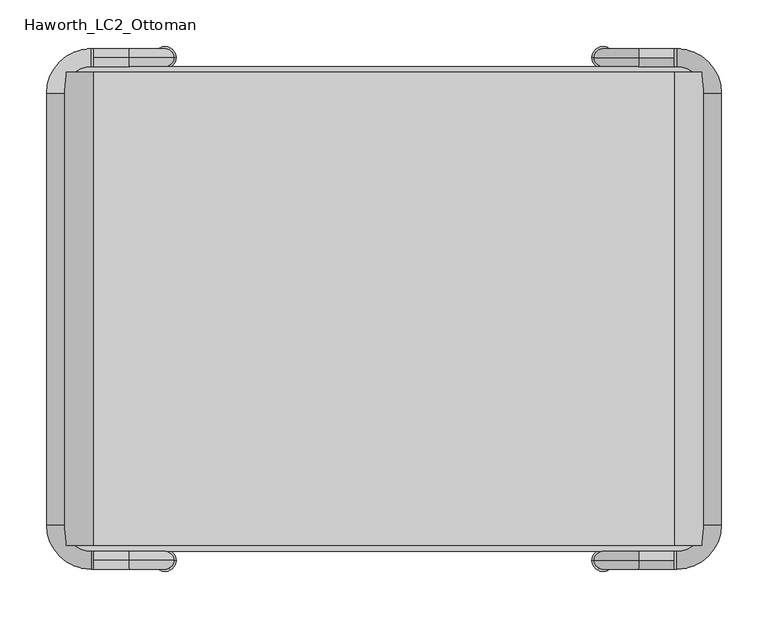
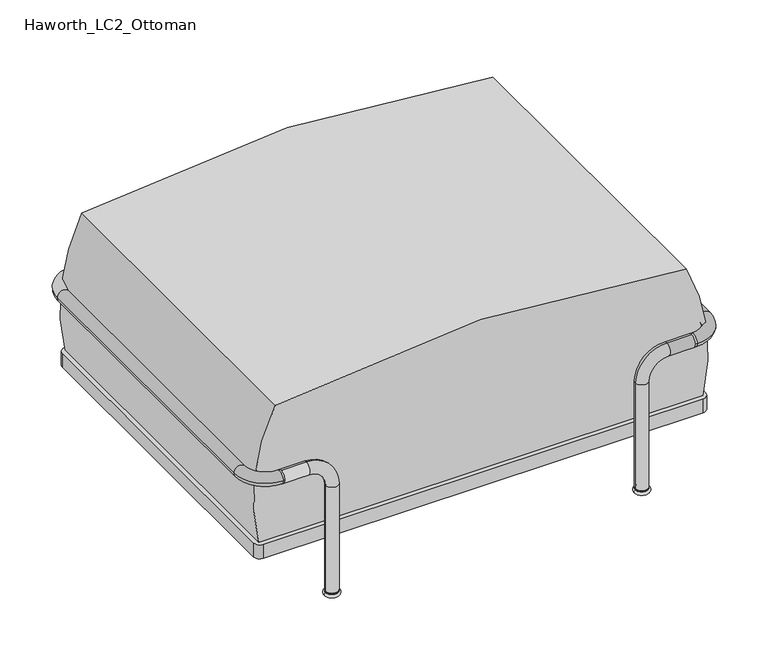
"""IFC4 building model written with IfcOpenShell, lengths in millimetres: furniture geometry, Haworth_LC2_Ottoman."""

from ifc_helpers import new_model, si_unit, point, frame, frame_2d, origin, place, context, project, spatial, polyline, circle_curve, ellipse_curve, trimmed, segment, composite_curve, outline, extrude, source, transform, mapped, element, save
from ifc_brep_helpers import plane_surface, cylinder_surface, revolved_surface, advanced_brep


def haworth_lc2_ottoman_d412f61c(model_context):
    return source(origin(), model_context, "Body", "SolidModel", [
        advanced_brep(
        [(244.475, 282.575, 4.7625), (225.425, 282.575, 4.7625), (234.95, 282.575, 4.7625), (244.475, 282.575, 9.525), (225.425, 282.575, 9.525), (234.95, 282.575, 9.525)],
        [
            (0, 1, circle_curve(frame((234.95, 282.575, 4.7625), z_axis=(0.0, 0.0, -1.0), x_axis=(-1.0, 0.0, 0.0)), 9.525)),
            (1, 2),
            (2, 0),
            (1, 0, circle_curve(frame((234.95, 282.575, 4.7625), z_axis=(0.0, 0.0, -1.0), x_axis=(-1.0, 0.0, 0.0)), 9.525)),
            (3, 4, circle_curve(frame((234.95, 282.575, 9.525), z_axis=(0.0, 0.0, -1.0), x_axis=(-1.0, 0.0, 0.0)), 9.525)),
            (4, 1, circle_curve(frame((225.425, 282.575, 7.14375), z_axis=(0.0, -1.0, 0.0), x_axis=(1.0, 0.0, 0.0)), 2.38125)),
            (0, 3, circle_curve(frame((244.475, 282.575, 7.14375), z_axis=(0.0, -1.0, 0.0), x_axis=(-1.0, 0.0, 0.0)), 2.38125)),
            (4, 3, circle_curve(frame((234.95, 282.575, 9.525), z_axis=(0.0, 0.0, -1.0), x_axis=(-1.0, 0.0, 0.0)), 9.525)),
            (5, 4),
            (3, 5),
        ],
        [
            plane_surface(frame((234.95, 282.575, 4.7625), z_axis=(0.0, 0.0, -1.0), x_axis=(-1.0, 0.0, 0.0))),
            revolved_surface(trimmed(ellipse_curve(frame((225.425, 282.575, 7.14375), z_axis=(0.0, 1.0, 0.0), x_axis=(1.0, 0.0, 0.0)), 2.38125, 2.38125), [point((225.425, 282.575, 4.7625))], [point((225.425, 282.575, 9.525))], True, "CARTESIAN"), (234.95, 282.575, -436.5320186), (0.0, 0.0, 1.0)),
            plane_surface(frame((234.95, 282.575, 9.525), z_axis=(0.0, 0.0, 1.0), x_axis=(-1.0, 0.0, 0.0))),
        ],
        [
            (0, [[1, 2, 3]]),
            (0, [[4, -3, -2]]),
            (1, [[5, 6, -1, 7]]),
            (1, [[8, -7, -4, -6]]),
            (2, [[9, -5, 10]]),
            (2, [[-10, -8, -9]]),
        ],
    ),
        advanced_brep(
        [(-225.425, 282.575, 4.7625), (-244.475, 282.575, 4.7625), (-234.95, 282.575, 4.7625), (-225.425, 282.575, 9.525), (-244.475, 282.575, 9.525), (-234.95, 282.575, 9.525)],
        [
            (0, 1, circle_curve(frame((-234.95, 282.575, 4.7625), z_axis=(0.0, 0.0, -1.0), x_axis=(-1.0, 0.0, 0.0)), 9.525)),
            (1, 2),
            (2, 0),
            (1, 0, circle_curve(frame((-234.95, 282.575, 4.7625), z_axis=(0.0, 0.0, -1.0), x_axis=(-1.0, 0.0, 0.0)), 9.525)),
            (3, 4, circle_curve(frame((-234.95, 282.575, 9.525), z_axis=(0.0, 0.0, -1.0), x_axis=(-1.0, 0.0, 0.0)), 9.525)),
            (4, 1, circle_curve(frame((-244.475, 282.575, 7.14375), z_axis=(0.0, -1.0, 0.0), x_axis=(1.0, 0.0, 0.0)), 2.38125)),
            (0, 3, circle_curve(frame((-225.425, 282.575, 7.14375), z_axis=(0.0, -1.0, 0.0), x_axis=(-1.0, 0.0, 0.0)), 2.38125)),
            (4, 3, circle_curve(frame((-234.95, 282.575, 9.525), z_axis=(0.0, 0.0, -1.0), x_axis=(-1.0, 0.0, 0.0)), 9.525)),
            (5, 4),
            (3, 5),
        ],
        [
            plane_surface(frame((-234.95, 282.575, 4.7625), z_axis=(0.0, 0.0, -1.0), x_axis=(-1.0, 0.0, 0.0))),
            revolved_surface(trimmed(ellipse_curve(frame((-244.475, 282.575, 7.14375), z_axis=(0.0, 1.0, 0.0), x_axis=(1.0, 0.0, 0.0)), 2.38125, 2.38125), [point((-244.475, 282.575, 4.7625))], [point((-244.475, 282.575, 9.525))], True, "CARTESIAN"), (-234.95, 282.575, -436.5320186), (0.0, 0.0, 1.0)),
            plane_surface(frame((-234.95, 282.575, 9.525), z_axis=(0.0, 0.0, 1.0), x_axis=(-1.0, 0.0, 0.0))),
        ],
        [
            (0, [[1, 2, 3]]),
            (0, [[4, -3, -2]]),
            (1, [[5, 6, -1, 7]]),
            (1, [[8, -7, -4, -6]]),
            (2, [[9, -5, 10]]),
            (2, [[-10, -8, -9]]),
        ],
    ),
        advanced_brep(
        [(244.475, -257.175, 9.525), (225.425, -257.175, 9.525), (234.95, -257.175, 9.525), (244.475, -257.175, 4.7625), (225.425, -257.175, 4.7625), (234.95, -257.175, 4.7625)],
        [
            (0, 1, circle_curve(frame((234.95, -257.175, 9.525), z_axis=(0.0, 0.0, 1.0), x_axis=(-1.0, 0.0, 0.0)), 9.525)),
            (1, 2),
            (2, 0),
            (1, 0, circle_curve(frame((234.95, -257.175, 9.525), z_axis=(0.0, 0.0, 1.0), x_axis=(-1.0, 0.0, 0.0)), 9.525)),
            (3, 4, circle_curve(frame((234.95, -257.175, 4.7625), z_axis=(0.0, 0.0, 1.0), x_axis=(-1.0, 0.0, 0.0)), 9.525)),
            (4, 1, circle_curve(frame((225.425, -257.175, 7.14375), z_axis=(0.0, 1.0, 0.0), x_axis=(1.0, 0.0, 0.0)), 2.38125)),
            (0, 3, circle_curve(frame((244.475, -257.175, 7.14375), z_axis=(0.0, 1.0, 0.0), x_axis=(-1.0, 0.0, 0.0)), 2.38125)),
            (4, 3, circle_curve(frame((234.95, -257.175, 4.7625), z_axis=(0.0, 0.0, 1.0), x_axis=(-1.0, 0.0, 0.0)), 9.525)),
            (5, 4),
            (3, 5),
        ],
        [
            plane_surface(frame((234.95, -257.175, 9.525), z_axis=(0.0, 0.0, 1.0), x_axis=(-1.0, 0.0, 0.0))),
            revolved_surface(trimmed(ellipse_curve(frame((225.425, -257.175, 7.14375), z_axis=(0.0, -1.0, 0.0), x_axis=(1.0, 0.0, 0.0)), 2.38125, 2.38125), [point((225.425, -257.175, 9.525))], [point((225.425, -257.175, 4.7625))], True, "CARTESIAN"), (234.95, -257.175, -436.5320186), (0.0, 0.0, -1.0)),
            plane_surface(frame((234.95, -257.175, 4.7625), z_axis=(0.0, 0.0, -1.0), x_axis=(-1.0, 0.0, 0.0))),
        ],
        [
            (0, [[1, 2, 3]]),
            (0, [[4, -3, -2]]),
            (1, [[5, 6, -1, 7]]),
            (1, [[8, -7, -4, -6]]),
            (2, [[9, -5, 10]]),
            (2, [[-10, -8, -9]]),
        ],
    ),
        advanced_brep(
        [(-225.425, -257.175, 9.525), (-244.475, -257.175, 9.525), (-234.95, -257.175, 9.525), (-225.425, -257.175, 4.7625), (-244.475, -257.175, 4.7625), (-234.95, -257.175, 4.7625)],
        [
            (0, 1, circle_curve(frame((-234.95, -257.175, 9.525), z_axis=(0.0, 0.0, 1.0), x_axis=(-1.0, 0.0, 0.0)), 9.525)),
            (1, 2),
            (2, 0),
            (1, 0, circle_curve(frame((-234.95, -257.175, 9.525), z_axis=(0.0, 0.0, 1.0), x_axis=(-1.0, 0.0, 0.0)), 9.525)),
            (3, 4, circle_curve(frame((-234.95, -257.175, 4.7625), z_axis=(0.0, 0.0, 1.0), x_axis=(-1.0, 0.0, 0.0)), 9.525)),
            (4, 1, circle_curve(frame((-244.475, -257.175, 7.14375), z_axis=(0.0, 1.0, 0.0), x_axis=(1.0, 0.0, 0.0)), 2.38125)),
            (0, 3, circle_curve(frame((-225.425, -257.175, 7.14375), z_axis=(0.0, 1.0, 0.0), x_axis=(-1.0, 0.0, 0.0)), 2.38125)),
            (4, 3, circle_curve(frame((-234.95, -257.175, 4.7625), z_axis=(0.0, 0.0, 1.0), x_axis=(-1.0, 0.0, 0.0)), 9.525)),
            (5, 4),
            (3, 5),
        ],
        [
            plane_surface(frame((-234.95, -257.175, 9.525), z_axis=(0.0, 0.0, 1.0), x_axis=(-1.0, 0.0, 0.0))),
            revolved_surface(trimmed(ellipse_curve(frame((-244.475, -257.175, 7.14375), z_axis=(0.0, -1.0, 0.0), x_axis=(1.0, 0.0, 0.0)), 2.38125, 2.38125), [point((-244.475, -257.175, 9.525))], [point((-244.475, -257.175, 4.7625))], True, "CARTESIAN"), (-234.95, -257.175, -436.5320186), (0.0, 0.0, -1.0)),
            plane_surface(frame((-234.95, -257.175, 4.7625), z_axis=(0.0, 0.0, -1.0), x_axis=(-1.0, 0.0, 0.0))),
        ],
        [
            (0, [[1, 2, 3]]),
            (0, [[4, -3, -2]]),
            (1, [[5, 6, -1, 7]]),
            (1, [[8, -7, -4, -6]]),
            (2, [[9, -5, 10]]),
            (2, [[-10, -8, -9]]),
        ],
    ),
        extrude(outline(composite_curve([segment(trimmed(circle_curve(frame_2d((-234.95, -257.175)), 9.525), [point((-244.475, -257.175))], [point((-225.425, -257.175))], False, "CARTESIAN"), True, "CONTINUOUS"), segment(trimmed(circle_curve(frame_2d((-234.95, -257.175)), 9.525), [point((-225.425, -257.175))], [point((-244.475, -257.175))], False, "CARTESIAN"), True, "CONTINUOUS")], self_intersect=False)), frame((0.0, 0.0, 9.525), z_axis=(0.0, 0.0, 1.0), x_axis=(1.0, 0.0, 0.0)), (0.0, 0.0, 1.0), 1.5875),
        extrude(outline(composite_curve([segment(trimmed(circle_curve(frame_2d((234.95, -257.175)), 9.525), [point((225.425, -257.175))], [point((244.475, -257.175))], False, "CARTESIAN"), True, "CONTINUOUS"), segment(trimmed(circle_curve(frame_2d((234.95, -257.175)), 9.525), [point((244.475, -257.175))], [point((225.425, -257.175))], False, "CARTESIAN"), True, "CONTINUOUS")], self_intersect=False)), frame((0.0, 0.0, 9.525), z_axis=(0.0, 0.0, 1.0), x_axis=(1.0, 0.0, 0.0)), (0.0, 0.0, 1.0), 1.5875),
        extrude(outline(composite_curve([segment(trimmed(circle_curve(frame_2d((234.95, 282.575)), 9.525), [point((225.425, 282.575))], [point((244.475, 282.575))], False, "CARTESIAN"), True, "CONTINUOUS"), segment(trimmed(circle_curve(frame_2d((234.95, 282.575)), 9.525), [point((244.475, 282.575))], [point((225.425, 282.575))], False, "CARTESIAN"), True, "CONTINUOUS")], self_intersect=False)), frame((0.0, 0.0, 9.525), z_axis=(0.0, 0.0, 1.0), x_axis=(1.0, 0.0, 0.0)), (0.0, 0.0, 1.0), 1.5875),
        extrude(outline(composite_curve([segment(trimmed(circle_curve(frame_2d((-234.95, 282.575)), 9.525), [point((-244.475, 282.575))], [point((-225.425, 282.575))], False, "CARTESIAN"), True, "CONTINUOUS"), segment(trimmed(circle_curve(frame_2d((-234.95, 282.575)), 9.525), [point((-225.425, 282.575))], [point((-244.475, 282.575))], False, "CARTESIAN"), True, "CONTINUOUS")], self_intersect=False)), frame((0.0, 0.0, 9.525), z_axis=(0.0, 0.0, 1.0), x_axis=(1.0, 0.0, 0.0)), (0.0, 0.0, 1.0), 1.5875),
        advanced_brep(
        [(-225.425, -257.175, 11.1125), (-244.475, -257.175, 11.1125), (-225.425, -257.175, 180.975), (-244.475, -257.175, 180.975), (-273.05, -257.175, 228.6), (-273.05, -257.175, 209.55), (-311.15, -257.175, 228.6), (-311.15, -266.7, 219.075), (-311.15, -257.175, 209.55), (-311.15, -247.65, 219.075), (-244.475, 282.575, 11.1125), (-225.425, 282.575, 11.1125), (-225.425, 282.575, 180.975), (-244.475, 282.575, 180.975), (-273.05, 282.575, 228.6), (-273.05, 282.575, 209.55), (-311.15, 282.575, 228.6), (-311.15, 273.05, 219.075), (-311.15, 282.575, 209.55), (-311.15, 292.1, 219.075), (-314.325, 273.05, 219.075), (-314.325, 292.1, 219.075), (-342.9, 244.475, 219.075), (-361.95, 244.475, 219.075), (-342.9, -219.075, 219.075), (-361.95, -219.075, 219.075), (-314.325, -247.65, 219.075), (-314.325, -266.7, 219.075)],
        [
            (0, 1, circle_curve(frame((-234.95, -257.175, 11.1125), z_axis=(0.0, 0.0, -1.0), x_axis=(-1.0, 0.0, 0.0)), 9.525)),
            (1, 0, circle_curve(frame((-234.95, -257.175, 11.1125), z_axis=(0.0, 0.0, -1.0), x_axis=(-1.0, 0.0, 0.0)), 9.525)),
            (0, 2),
            (2, 3, circle_curve(frame((-234.95, -257.175, 180.975), z_axis=(0.0, 0.0, -1.0), x_axis=(-1.0, 0.0, 0.0)), 9.525)),
            (3, 1),
            (3, 2, circle_curve(frame((-234.95, -257.175, 180.975), z_axis=(0.0, 0.0, -1.0), x_axis=(-1.0, 0.0, 0.0)), 9.525)),
            (2, 4, circle_curve(frame((-273.05, -257.175, 180.975), z_axis=(0.0, -1.0, 0.0), x_axis=(1.0, 0.0, 0.0)), 47.625)),
            (4, 5, circle_curve(frame((-273.05, -257.175, 219.075), z_axis=(1.0, 0.0, 0.0), x_axis=(0.0, 0.0, -1.0)), 9.525)),
            (5, 3, circle_curve(frame((-273.05, -257.175, 180.975), z_axis=(0.0, 1.0, 0.0), x_axis=(1.0, 0.0, 0.0)), 28.575)),
            (5, 4, circle_curve(frame((-273.05, -257.175, 219.075), z_axis=(1.0, 0.0, 0.0), x_axis=(0.0, 0.0, -1.0)), 9.525)),
            (4, 6),
            (6, 7, circle_curve(frame((-311.15, -257.175, 219.075), z_axis=(1.0, 0.0, 0.0), x_axis=(0.0, 0.0, -1.0)), 9.525)),
            (7, 8, circle_curve(frame((-311.15, -257.175, 219.075), z_axis=(1.0, 0.0, 0.0), x_axis=(0.0, 0.0, -1.0)), 9.525)),
            (8, 5),
            (8, 9, circle_curve(frame((-311.15, -257.175, 219.075), z_axis=(1.0, 0.0, 0.0), x_axis=(0.0, 0.0, -1.0)), 9.525)),
            (9, 6, circle_curve(frame((-311.15, -257.175, 219.075), z_axis=(1.0, 0.0, 0.0), x_axis=(0.0, 0.0, -1.0)), 9.525)),
            (10, 11, circle_curve(frame((-234.95, 282.575, 11.1125), z_axis=(0.0, 0.0, -1.0), x_axis=(1.0, 0.0, 0.0)), 9.525)),
            (11, 10, circle_curve(frame((-234.95, 282.575, 11.1125), z_axis=(0.0, 0.0, -1.0), x_axis=(1.0, 0.0, 0.0)), 9.525)),
            (11, 12),
            (12, 13, circle_curve(frame((-234.95, 282.575, 180.975), z_axis=(0.0, 0.0, -1.0), x_axis=(1.0, 0.0, 0.0)), 9.525)),
            (13, 10),
            (13, 12, circle_curve(frame((-234.95, 282.575, 180.975), z_axis=(0.0, 0.0, -1.0), x_axis=(1.0, 0.0, 0.0)), 9.525)),
            (12, 14, circle_curve(frame((-273.05, 282.575, 180.975), z_axis=(0.0, -1.0, 0.0), x_axis=(1.0, 0.0, 0.0)), 47.625)),
            (14, 15, circle_curve(frame((-273.05, 282.575, 219.075), z_axis=(1.0, 0.0, 0.0), x_axis=(0.0, 0.0, 1.0)), 9.525)),
            (15, 13, circle_curve(frame((-273.05, 282.575, 180.975), z_axis=(0.0, 1.0, 0.0), x_axis=(1.0, 0.0, 0.0)), 28.575)),
            (15, 14, circle_curve(frame((-273.05, 282.575, 219.075), z_axis=(1.0, 0.0, 0.0), x_axis=(0.0, 0.0, 1.0)), 9.525)),
            (14, 16),
            (16, 17, circle_curve(frame((-311.15, 282.575, 219.075), z_axis=(1.0, 0.0, 0.0), x_axis=(0.0, 0.0, 1.0)), 9.525)),
            (17, 18, circle_curve(frame((-311.15, 282.575, 219.075), z_axis=(1.0, 0.0, 0.0), x_axis=(0.0, 0.0, 1.0)), 9.525)),
            (18, 15),
            (18, 19, circle_curve(frame((-311.15, 282.575, 219.075), z_axis=(1.0, 0.0, 0.0), x_axis=(0.0, 0.0, 1.0)), 9.525)),
            (19, 16, circle_curve(frame((-311.15, 282.575, 219.075), z_axis=(1.0, 0.0, 0.0), x_axis=(0.0, 0.0, 1.0)), 9.525)),
            (17, 20),
            (20, 21, circle_curve(frame((-314.325, 282.575, 219.075), z_axis=(1.0, 0.0, 0.0), x_axis=(0.0, -1.0, 0.0)), 9.525)),
            (21, 19),
            (21, 20, circle_curve(frame((-314.325, 282.575, 219.075), z_axis=(1.0, 0.0, 0.0), x_axis=(0.0, -1.0, 0.0)), 9.525)),
            (20, 22, circle_curve(frame((-314.325, 244.475, 219.075), z_axis=(0.0, 0.0, 1.0), x_axis=(0.0, 1.0, 0.0)), 28.575)),
            (22, 23, circle_curve(frame((-352.425, 244.475, 219.075), z_axis=(0.0, 1.0, 0.0), x_axis=(1.0, 0.0, 0.0)), 9.525)),
            (23, 21, circle_curve(frame((-314.325, 244.475, 219.075), z_axis=(0.0, 0.0, -1.0), x_axis=(0.0, 1.0, 0.0)), 47.625)),
            (23, 22, circle_curve(frame((-352.425, 244.475, 219.075), z_axis=(0.0, 1.0, 0.0), x_axis=(1.0, 0.0, 0.0)), 9.525)),
            (22, 24),
            (24, 25, circle_curve(frame((-352.425, -219.075, 219.075), z_axis=(0.0, 1.0, 0.0), x_axis=(1.0, 0.0, 0.0)), 9.525)),
            (25, 23),
            (25, 24, circle_curve(frame((-352.425, -219.075, 219.075), z_axis=(0.0, 1.0, 0.0), x_axis=(1.0, 0.0, 0.0)), 9.525)),
            (24, 26, circle_curve(frame((-314.325, -219.075, 219.075), z_axis=(0.0, 0.0, 1.0), x_axis=(-1.0, 0.0, 0.0)), 28.575)),
            (26, 27, circle_curve(frame((-314.325, -257.175, 219.075), z_axis=(-1.0, 0.0, 0.0), x_axis=(0.0, 1.0, 0.0)), 9.525)),
            (27, 25, circle_curve(frame((-314.325, -219.075, 219.075), z_axis=(0.0, 0.0, -1.0), x_axis=(-1.0, 0.0, 0.0)), 47.625)),
            (27, 26, circle_curve(frame((-314.325, -257.175, 219.075), z_axis=(-1.0, 0.0, 0.0), x_axis=(0.0, 1.0, 0.0)), 9.525)),
            (26, 9),
            (7, 27),
        ],
        [
            plane_surface(frame((-234.95, -257.175, 11.1125), z_axis=(0.0, 0.0, -1.0), x_axis=(0.0, -1.0, 0.0))),
            cylinder_surface(frame((-234.95, -257.175, 11.1125), z_axis=(0.0, 0.0, -1.0), x_axis=(-1.0, 0.0, 0.0)), 9.525),
            revolved_surface(trimmed(ellipse_curve(frame((-234.95, -257.175, 180.975), z_axis=(0.0, 0.0, -1.0), x_axis=(-1.0, 0.0, 0.0)), 9.525, 9.525), [point((-225.425, -257.175, 180.975))], [point((-244.475, -257.175, 180.975))], True, "CARTESIAN"), (-273.05, -257.175, 180.975), (0.0, -1.0, 0.0)),
            revolved_surface(trimmed(ellipse_curve(frame((-234.95, -257.175, 180.975), z_axis=(0.0, 0.0, -1.0), x_axis=(-1.0, 0.0, 0.0)), 9.525, 9.525), [point((-244.475, -257.175, 180.975))], [point((-225.425, -257.175, 180.975))], True, "CARTESIAN"), (-273.05, -257.175, 180.975), (0.0, -1.0, 0.0)),
            cylinder_surface(frame((-273.05, -257.175, 219.075), z_axis=(1.0, 0.0, 0.0), x_axis=(0.0, 0.0, -1.0)), 9.525),
            plane_surface(frame((-234.95, 282.575, 11.1125), z_axis=(0.0, 0.0, -1.0), x_axis=(0.0, 1.0, 0.0))),
            cylinder_surface(frame((-234.95, 282.575, 11.1125), z_axis=(0.0, 0.0, -1.0), x_axis=(1.0, 0.0, 0.0)), 9.525),
            revolved_surface(trimmed(ellipse_curve(frame((-234.95, 282.575, 180.975), z_axis=(0.0, 0.0, -1.0), x_axis=(1.0, 0.0, 0.0)), 9.525, 9.525), [point((-225.425, 282.575, 180.975))], [point((-244.475, 282.575, 180.975))], True, "CARTESIAN"), (-273.05, 282.575, 180.975), (0.0, -1.0, 0.0)),
            revolved_surface(trimmed(ellipse_curve(frame((-234.95, 282.575, 180.975), z_axis=(0.0, 0.0, -1.0), x_axis=(1.0, 0.0, 0.0)), 9.525, 9.525), [point((-244.475, 282.575, 180.975))], [point((-225.425, 282.575, 180.975))], True, "CARTESIAN"), (-273.05, 282.575, 180.975), (0.0, -1.0, 0.0)),
            cylinder_surface(frame((-273.05, 282.575, 219.075), z_axis=(1.0, 0.0, 0.0), x_axis=(0.0, 0.0, 1.0)), 9.525),
            cylinder_surface(frame((-311.15, 282.575, 219.075), z_axis=(1.0, 0.0, 0.0), x_axis=(0.0, -1.0, 0.0)), 9.525),
            revolved_surface(trimmed(ellipse_curve(frame((-314.325, 282.575, 219.075), z_axis=(1.0, 0.0, 0.0), x_axis=(0.0, -1.0, 0.0)), 9.525, 9.525), [point((-314.325, 273.05, 219.075))], [point((-314.325, 292.1, 219.075))], True, "CARTESIAN"), (-314.325, 244.475, -114.3), (0.0, 0.0, 1.0)),
            revolved_surface(trimmed(ellipse_curve(frame((-314.325, 282.575, 219.075), z_axis=(1.0, 0.0, 0.0), x_axis=(0.0, -1.0, 0.0)), 9.525, 9.525), [point((-314.325, 292.1, 219.075))], [point((-314.325, 273.05, 219.075))], True, "CARTESIAN"), (-314.325, 244.475, -114.3), (0.0, 0.0, 1.0)),
            cylinder_surface(frame((-352.425, 244.475, 219.075), z_axis=(0.0, 1.0, 0.0), x_axis=(1.0, 0.0, 0.0)), 9.525),
            revolved_surface(trimmed(ellipse_curve(frame((-352.425, -219.075, 219.075), z_axis=(0.0, 1.0, 0.0), x_axis=(1.0, 0.0, 0.0)), 9.525, 9.525), [point((-342.9, -219.075, 219.075))], [point((-361.95, -219.075, 219.075))], True, "CARTESIAN"), (-314.325, -219.075, -114.3), (0.0, 0.0, 1.0)),
            revolved_surface(trimmed(ellipse_curve(frame((-352.425, -219.075, 219.075), z_axis=(0.0, 1.0, 0.0), x_axis=(1.0, 0.0, 0.0)), 9.525, 9.525), [point((-361.95, -219.075, 219.075))], [point((-342.9, -219.075, 219.075))], True, "CARTESIAN"), (-314.325, -219.075, -114.3), (0.0, 0.0, 1.0)),
            cylinder_surface(frame((-314.325, -257.175, 219.075), z_axis=(-1.0, 0.0, 0.0), x_axis=(0.0, 1.0, 0.0)), 9.525),
        ],
        [
            (0, [[1, 2]]),
            (1, [[-1, 3, 4, 5]]),
            (1, [[-2, -5, 6, -3]]),
            (2, [[-4, 7, 8, 9]]),
            (3, [[-6, -9, 10, -7]]),
            (4, [[-8, 11, 12, 13, 14]]),
            (4, [[-10, -14, 15, 16, -11]]),
            (5, [[17, 18]]),
            (6, [[-18, 19, 20, 21]]),
            (6, [[-17, -21, 22, -19]]),
            (7, [[-20, 23, 24, 25]]),
            (8, [[-22, -25, 26, -23]]),
            (9, [[-24, 27, 28, 29, 30]]),
            (9, [[-26, -30, 31, 32, -27]]),
            (10, [[33, 34, 35, -31, -29]]),
            (10, [[-33, -28, -32, -35, 36]]),
            (11, [[-34, 37, 38, 39]]),
            (12, [[-36, -39, 40, -37]]),
            (13, [[-38, 41, 42, 43]]),
            (13, [[-40, -43, 44, -41]]),
            (14, [[-42, 45, 46, 47]]),
            (15, [[-44, -47, 48, -45]]),
            (16, [[-46, 49, -15, -13, 50]]),
            (16, [[-48, -50, -12, -16, -49]]),
        ],
    ),
        advanced_brep(
        [(311.15, 273.05, 219.075), (314.325, 273.05, 219.075), (314.325, 292.1, 219.075), (311.15, 292.1, 219.075), (311.15, 282.575, 228.6), (311.15, 282.575, 209.55), (342.9, 244.475, 219.075), (361.95, 244.475, 219.075), (342.9, -219.075, 219.075), (361.95, -219.075, 219.075), (314.325, -247.65, 219.075), (314.325, -266.7, 219.075), (311.15, -247.65, 219.075), (311.15, -257.175, 228.6), (311.15, -266.7, 219.075), (311.15, -257.175, 209.55), (244.475, -257.175, 11.1125), (225.425, -257.175, 11.1125), (225.425, -257.175, 180.975), (244.475, -257.175, 180.975), (273.05, -257.175, 228.6), (273.05, -257.175, 209.55), (225.425, 282.575, 11.1125), (244.475, 282.575, 11.1125), (225.425, 282.575, 180.975), (244.475, 282.575, 180.975), (273.05, 282.575, 228.6), (273.05, 282.575, 209.55)],
        [
            (0, 1),
            (1, 2, circle_curve(frame((314.325, 282.575, 219.075), z_axis=(-1.0, 0.0, 0.0), x_axis=(0.0, 1.0, 0.0)), 9.525)),
            (2, 3),
            (3, 4, circle_curve(frame((311.15, 282.575, 219.075), z_axis=(1.0, 0.0, 0.0), x_axis=(0.0, 1.0, 0.0)), 9.525)),
            (4, 0, circle_curve(frame((311.15, 282.575, 219.075), z_axis=(1.0, 0.0, 0.0), x_axis=(0.0, 1.0, 0.0)), 9.525)),
            (0, 5, circle_curve(frame((311.15, 282.575, 219.075), z_axis=(1.0, 0.0, 0.0), x_axis=(0.0, 1.0, 0.0)), 9.525)),
            (5, 3, circle_curve(frame((311.15, 282.575, 219.075), z_axis=(1.0, 0.0, 0.0), x_axis=(0.0, 1.0, 0.0)), 9.525)),
            (2, 1, circle_curve(frame((314.325, 282.575, 219.075), z_axis=(-1.0, 0.0, 0.0), x_axis=(0.0, 1.0, 0.0)), 9.525)),
            (1, 6, circle_curve(frame((314.325, 244.475, 219.075), z_axis=(0.0, 0.0, -1.0), x_axis=(0.0, 1.0, 0.0)), 28.575)),
            (6, 7, circle_curve(frame((352.425, 244.475, 219.075), z_axis=(0.0, 1.0, 0.0), x_axis=(1.0, 0.0, 0.0)), 9.525)),
            (7, 2, circle_curve(frame((314.325, 244.475, 219.075), z_axis=(0.0, 0.0, 1.0), x_axis=(0.0, 1.0, 0.0)), 47.625)),
            (7, 6, circle_curve(frame((352.425, 244.475, 219.075), z_axis=(0.0, 1.0, 0.0), x_axis=(1.0, 0.0, 0.0)), 9.525)),
            (6, 8),
            (8, 9, circle_curve(frame((352.425, -219.075, 219.075), z_axis=(0.0, 1.0, 0.0), x_axis=(1.0, 0.0, 0.0)), 9.525)),
            (9, 7),
            (9, 8, circle_curve(frame((352.425, -219.075, 219.075), z_axis=(0.0, 1.0, 0.0), x_axis=(1.0, 0.0, 0.0)), 9.525)),
            (8, 10, circle_curve(frame((314.325, -219.075, 219.075), z_axis=(0.0, 0.0, -1.0), x_axis=(1.0, 0.0, 0.0)), 28.575)),
            (10, 11, circle_curve(frame((314.325, -257.175, 219.075), z_axis=(1.0, 0.0, 0.0), x_axis=(0.0, -1.0, 0.0)), 9.525)),
            (11, 9, circle_curve(frame((314.325, -219.075, 219.075), z_axis=(0.0, 0.0, 1.0), x_axis=(1.0, 0.0, 0.0)), 47.625)),
            (11, 10, circle_curve(frame((314.325, -257.175, 219.075), z_axis=(1.0, 0.0, 0.0), x_axis=(0.0, -1.0, 0.0)), 9.525)),
            (10, 12),
            (12, 13, circle_curve(frame((311.15, -257.175, 219.075), z_axis=(1.0, 0.0, 0.0), x_axis=(0.0, -1.0, 0.0)), 9.525)),
            (13, 14, circle_curve(frame((311.15, -257.175, 219.075), z_axis=(1.0, 0.0, 0.0), x_axis=(0.0, -1.0, 0.0)), 9.525)),
            (14, 11),
            (14, 15, circle_curve(frame((311.15, -257.175, 219.075), z_axis=(1.0, 0.0, 0.0), x_axis=(0.0, -1.0, 0.0)), 9.525)),
            (15, 12, circle_curve(frame((311.15, -257.175, 219.075), z_axis=(1.0, 0.0, 0.0), x_axis=(0.0, -1.0, 0.0)), 9.525)),
            (16, 17, circle_curve(frame((234.95, -257.175, 11.1125), z_axis=(0.0, 0.0, -1.0), x_axis=(-1.0, 0.0, 0.0)), 9.525)),
            (17, 16, circle_curve(frame((234.95, -257.175, 11.1125), z_axis=(0.0, 0.0, -1.0), x_axis=(-1.0, 0.0, 0.0)), 9.525)),
            (17, 18),
            (18, 19, circle_curve(frame((234.95, -257.175, 180.975), z_axis=(0.0, 0.0, -1.0), x_axis=(-1.0, 0.0, 0.0)), 9.525)),
            (19, 16),
            (19, 18, circle_curve(frame((234.95, -257.175, 180.975), z_axis=(0.0, 0.0, -1.0), x_axis=(-1.0, 0.0, 0.0)), 9.525)),
            (18, 20, circle_curve(frame((273.05, -257.175, 180.975), z_axis=(0.0, 1.0, 0.0), x_axis=(-1.0, 0.0, 0.0)), 47.625)),
            (20, 21, circle_curve(frame((273.05, -257.175, 219.075), z_axis=(-1.0, 0.0, 0.0), x_axis=(0.0, 0.0, 1.0)), 9.525)),
            (21, 19, circle_curve(frame((273.05, -257.175, 180.975), z_axis=(0.0, -1.0, 0.0), x_axis=(-1.0, 0.0, 0.0)), 28.575)),
            (21, 20, circle_curve(frame((273.05, -257.175, 219.075), z_axis=(-1.0, 0.0, 0.0), x_axis=(0.0, 0.0, 1.0)), 9.525)),
            (20, 13),
            (15, 21),
            (22, 23, circle_curve(frame((234.95, 282.575, 11.1125), z_axis=(0.0, 0.0, -1.0), x_axis=(1.0, 0.0, 0.0)), 9.525)),
            (23, 22, circle_curve(frame((234.95, 282.575, 11.1125), z_axis=(0.0, 0.0, -1.0), x_axis=(1.0, 0.0, 0.0)), 9.525)),
            (22, 24),
            (24, 25, circle_curve(frame((234.95, 282.575, 180.975), z_axis=(0.0, 0.0, -1.0), x_axis=(1.0, 0.0, 0.0)), 9.525)),
            (25, 23),
            (25, 24, circle_curve(frame((234.95, 282.575, 180.975), z_axis=(0.0, 0.0, -1.0), x_axis=(1.0, 0.0, 0.0)), 9.525)),
            (24, 26, circle_curve(frame((273.05, 282.575, 180.975), z_axis=(0.0, 1.0, 0.0), x_axis=(-1.0, 0.0, 0.0)), 47.625)),
            (26, 27, circle_curve(frame((273.05, 282.575, 219.075), z_axis=(-1.0, 0.0, 0.0), x_axis=(0.0, 0.0, -1.0)), 9.525)),
            (27, 25, circle_curve(frame((273.05, 282.575, 180.975), z_axis=(0.0, -1.0, 0.0), x_axis=(-1.0, 0.0, 0.0)), 28.575)),
            (27, 26, circle_curve(frame((273.05, 282.575, 219.075), z_axis=(-1.0, 0.0, 0.0), x_axis=(0.0, 0.0, -1.0)), 9.525)),
            (26, 4),
            (5, 27),
        ],
        [
            cylinder_surface(frame((311.15, 282.575, 219.075), z_axis=(-1.0, 0.0, 0.0), x_axis=(0.0, 1.0, 0.0)), 9.525),
            revolved_surface(trimmed(ellipse_curve(frame((314.325, 282.575, 219.075), z_axis=(-1.0, 0.0, 0.0), x_axis=(0.0, 1.0, 0.0)), 9.525, 9.525), [point((314.325, 273.05, 219.075))], [point((314.325, 292.1, 219.075))], True, "CARTESIAN"), (314.325, 244.475, -114.3), (0.0, 0.0, -1.0)),
            revolved_surface(trimmed(ellipse_curve(frame((314.325, 282.575, 219.075), z_axis=(-1.0, 0.0, 0.0), x_axis=(0.0, 1.0, 0.0)), 9.525, 9.525), [point((314.325, 292.1, 219.075))], [point((314.325, 273.05, 219.075))], True, "CARTESIAN"), (314.325, 244.475, -114.3), (0.0, 0.0, -1.0)),
            cylinder_surface(frame((352.425, 244.475, 219.075), z_axis=(0.0, 1.0, 0.0), x_axis=(1.0, 0.0, 0.0)), 9.525),
            revolved_surface(trimmed(ellipse_curve(frame((352.425, -219.075, 219.075), z_axis=(0.0, 1.0, 0.0), x_axis=(1.0, 0.0, 0.0)), 9.525, 9.525), [point((342.9, -219.075, 219.075))], [point((361.95, -219.075, 219.075))], True, "CARTESIAN"), (314.325, -219.075, -114.3), (0.0, 0.0, -1.0)),
            revolved_surface(trimmed(ellipse_curve(frame((352.425, -219.075, 219.075), z_axis=(0.0, 1.0, 0.0), x_axis=(1.0, 0.0, 0.0)), 9.525, 9.525), [point((361.95, -219.075, 219.075))], [point((342.9, -219.075, 219.075))], True, "CARTESIAN"), (314.325, -219.075, -114.3), (0.0, 0.0, -1.0)),
            cylinder_surface(frame((314.325, -257.175, 219.075), z_axis=(1.0, 0.0, 0.0), x_axis=(0.0, -1.0, 0.0)), 9.525),
            plane_surface(frame((234.95, -257.175, 11.1125), z_axis=(0.0, 0.0, -1.0), x_axis=(0.0, -1.0, 0.0))),
            cylinder_surface(frame((234.95, -257.175, 11.1125), z_axis=(0.0, 0.0, -1.0), x_axis=(-1.0, 0.0, 0.0)), 9.525),
            revolved_surface(trimmed(ellipse_curve(frame((234.95, -257.175, 180.975), z_axis=(0.0, 0.0, -1.0), x_axis=(-1.0, 0.0, 0.0)), 9.525, 9.525), [point((225.425, -257.175, 180.975))], [point((244.475, -257.175, 180.975))], True, "CARTESIAN"), (273.05, -257.175, 180.975), (0.0, 1.0, 0.0)),
            revolved_surface(trimmed(ellipse_curve(frame((234.95, -257.175, 180.975), z_axis=(0.0, 0.0, -1.0), x_axis=(-1.0, 0.0, 0.0)), 9.525, 9.525), [point((244.475, -257.175, 180.975))], [point((225.425, -257.175, 180.975))], True, "CARTESIAN"), (273.05, -257.175, 180.975), (0.0, 1.0, 0.0)),
            cylinder_surface(frame((273.05, -257.175, 219.075), z_axis=(-1.0, 0.0, 0.0), x_axis=(0.0, 0.0, 1.0)), 9.525),
            plane_surface(frame((234.95, 282.575, 11.1125), z_axis=(0.0, 0.0, -1.0), x_axis=(0.0, 1.0, 0.0))),
            cylinder_surface(frame((234.95, 282.575, 11.1125), z_axis=(0.0, 0.0, -1.0), x_axis=(1.0, 0.0, 0.0)), 9.525),
            revolved_surface(trimmed(ellipse_curve(frame((234.95, 282.575, 180.975), z_axis=(0.0, 0.0, -1.0), x_axis=(1.0, 0.0, 0.0)), 9.525, 9.525), [point((225.425, 282.575, 180.975))], [point((244.475, 282.575, 180.975))], True, "CARTESIAN"), (273.05, 282.575, 180.975), (0.0, 1.0, 0.0)),
            revolved_surface(trimmed(ellipse_curve(frame((234.95, 282.575, 180.975), z_axis=(0.0, 0.0, -1.0), x_axis=(1.0, 0.0, 0.0)), 9.525, 9.525), [point((244.475, 282.575, 180.975))], [point((225.425, 282.575, 180.975))], True, "CARTESIAN"), (273.05, 282.575, 180.975), (0.0, 1.0, 0.0)),
            cylinder_surface(frame((273.05, 282.575, 219.075), z_axis=(-1.0, 0.0, 0.0), x_axis=(0.0, 0.0, -1.0)), 9.525),
        ],
        [
            (0, [[1, 2, 3, 4, 5]]),
            (0, [[-1, 6, 7, -3, 8]]),
            (1, [[-2, 9, 10, 11]]),
            (2, [[-8, -11, 12, -9]]),
            (3, [[-10, 13, 14, 15]]),
            (3, [[-12, -15, 16, -13]]),
            (4, [[-14, 17, 18, 19]]),
            (5, [[-16, -19, 20, -17]]),
            (6, [[-18, 21, 22, 23, 24]]),
            (6, [[-20, -24, 25, 26, -21]]),
            (7, [[27, 28]]),
            (8, [[-28, 29, 30, 31]]),
            (8, [[-27, -31, 32, -29]]),
            (9, [[-30, 33, 34, 35]]),
            (10, [[-32, -35, 36, -33]]),
            (11, [[-34, 37, -22, -26, 38]]),
            (11, [[-36, -38, -25, -23, -37]]),
            (12, [[39, 40]]),
            (13, [[-39, 41, 42, 43]]),
            (13, [[-40, -43, 44, -41]]),
            (14, [[-42, 45, 46, 47]]),
            (15, [[-44, -47, 48, -45]]),
            (16, [[-46, 49, -4, -7, 50]]),
            (16, [[-48, -50, -6, -5, -49]]),
        ],
    ),
        extrude(outline(composite_curve([segment(trimmed(circle_curve(frame_2d((333.375, 263.525)), 9.525), [point((333.375, 273.05))], [point((342.9, 263.525))], False, "CARTESIAN"), True, "CONTINUOUS"), segment(polyline([(342.9, 263.525), (342.9, -238.125)]), True, "CONTINUOUS"), segment(trimmed(circle_curve(frame_2d((333.375, -238.125)), 9.525), [point((342.9, -238.125))], [point((333.375, -247.65))], False, "CARTESIAN"), True, "CONTINUOUS"), segment(polyline([(333.375, -247.65), (-333.375, -247.65)]), True, "CONTINUOUS"), segment(trimmed(circle_curve(frame_2d((-333.375, -238.125)), 9.525), [point((-333.375, -247.65))], [point((-342.9, -238.125))], False, "CARTESIAN"), True, "CONTINUOUS"), segment(polyline([(-342.9, -238.125), (-342.9, 263.525)]), True, "CONTINUOUS"), segment(trimmed(circle_curve(frame_2d((-333.375, 263.525)), 9.525), [point((-342.9, 263.525))], [point((-333.375, 273.05))], False, "CARTESIAN"), True, "CONTINUOUS"), segment(polyline([(-333.375, 273.05), (333.375, 273.05)]), True, "CONTINUOUS")], self_intersect=False)), frame((0.0, 0.0, 89.7750405), z_axis=(0.0, 0.0, 1.0), x_axis=(1.0, 0.0, 0.0)), (0.0, 0.0, 1.0), 22.225),
        extrude(outline(composite_curve([segment(polyline([(112.0000405, -336.55), (112.0000405, 336.55)]), True, "CONTINUOUS"), segment(trimmed(circle_curve(frame_2d((183.6286059, 34.6695248)), 310.2619421), [point((112.0000405, 336.55))], [point((323.6670619, 311.5299654))], False, "CARTESIAN"), True, "CONTINUOUS"), segment(trimmed(circle_curve(frame_2d((-1363.307663, 0.0)), 1715.4983654), [point((323.6670619, 311.5299654))], [point((323.6670619, -311.5299654))], False, "CARTESIAN"), True, "CONTINUOUS"), segment(trimmed(circle_curve(frame_2d((183.6286059, -34.6695248)), 310.2619421), [point((323.6670619, -311.5299654))], [point((112.0000405, -336.55))], False, "CARTESIAN"), True, "CONTINUOUS")], self_intersect=False)), frame((0.0, -241.3, 0.0), z_axis=(0.0, 1.0, 0.0), x_axis=(0.0, 0.0, 1.0)), (0.0, 0.0, 1.0), 508.0),
    ])


if __name__ == "__main__":
    model = new_model("IFC4")
    model_context = context("Model", 3, world=origin())
    ifc_project = project(units=[si_unit("LENGTHUNIT", "METRE", prefix="MILLI")], contexts=[model_context])
    site = spatial("IfcSite", under=ifc_project)
    building = spatial("IfcBuilding", under=site)
    placement = place(None, origin())
    haworth_lc2_ottoman_shape = haworth_lc2_ottoman_d412f61c(model_context)
    element("IfcFurniture", 1, ObjectType="Haworth_LC2_Ottoman", at=placement, inside=building, context=model_context, shape_type="MappedRepresentation", body=[
        mapped(haworth_lc2_ottoman_shape, transform((0.0, 0.0, 0.0), x_axis=(1.0, 0.0, 0.0), y_axis=(0.0, 1.0, 0.0), z_axis=(0.0, 0.0, 1.0))),
    ])
    save(model, "model.ifc")
